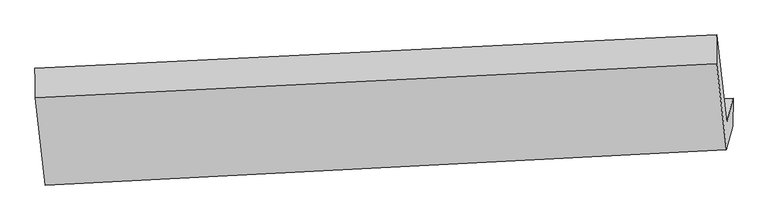
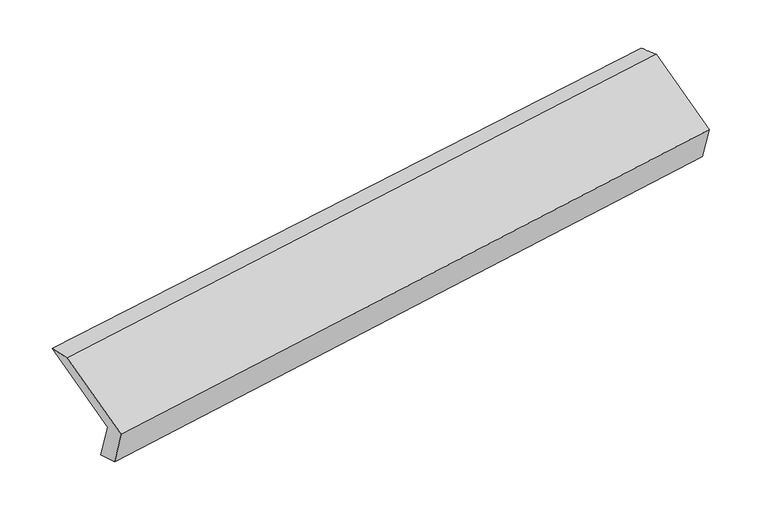
"""IFC4 building model written with IfcOpenShell, lengths in millimetres: proxy geometry."""

from ifc_helpers import new_model, si_unit, frame, origin, place, context, project, spatial, source, transform, mapped, element, save
from ifc_brep_helpers import plane_surface, spline_surface, advanced_brep


def generic_models_5cc71f17(model_context):
    return source(origin(), model_context, "Body", "AdvancedBrep", [
        advanced_brep(
        [(-5171.3739606, -1626.7028159, 1221.6545357), (-5214.8100909, -1795.6234165, 1568.6238757), (-488.4373482, -1545.5627687, 2259.6616501), (-445.001218, -1376.6421682, 1912.6923101), (-5171.6795025, -1815.5283065, 1281.8777751), (-448.42034, -1571.0423685, 1995.7748584), (-5213.9971274, -1980.0991041, 1619.9124545), (-490.7156121, -1735.5262375, 2333.6309831), (-5283.7117346, -1373.5012586, 1906.5047499), (-559.3404386, -1138.4107468, 2615.7432596), (-5286.5918338, -1171.0390959, 1863.7140337), (-558.1519555, -938.9649231, 2546.2539455)],
        [
            (0, 1),
            (1, 2),
            (2, 3),
            (3, 0),
            (4, 0),
            (3, 5),
            (5, 4),
            (6, 4),
            (5, 7),
            (7, 6),
            (8, 6),
            (7, 9),
            (9, 8),
            (10, 8),
            (9, 11),
            (11, 10),
            (1, 10),
            (11, 2),
        ],
        [
            plane_surface(frame((-5193.0920257, -1711.1631162, 1395.1392057), z_axis=(-0.10955364208913695, 0.8990249373670909, 0.42397188762594146), x_axis=(-0.11185054062011528, -0.43498028904141445, 0.8934660624267917))),
            spline_surface(1, 1, [[(-5171.6795025, -1815.5283065, 1281.8777751), (-448.42034, -1571.0423685, 1995.7748584)], [(-5171.3739606, -1626.7028159, 1221.6545357), (-445.001218, -1376.6421682, 1912.6923101)]], [2, 2], [2, 2], [0.0, 1.0], [0.0, 1.0]),
            plane_surface(frame((-5192.8383149, -1897.8137053, 1450.8951148), z_axis=(0.11059036242420126, -0.8989714718263391, -0.4238160740005854), x_axis=(0.11185054062011532, 0.43498028904141395, -0.8934660624267919))),
            plane_surface(frame((-5248.854431, -1676.8001813, 1763.2086022), z_axis=(-0.11246986538613996, -0.43500829115911577, 0.8933746783980671), x_axis=(0.10335678297457859, -0.8993237479065107, -0.4248931299333194))),
            spline_surface(1, 1, [[(-5286.5918338, -1171.0390959, 1863.7140337), (-558.1519555, -938.9649231, 2546.2539455)], [(-5283.7117346, -1373.5012586, 1906.5047499), (-559.3404386, -1138.4107468, 2615.7432596)]], [2, 2], [2, 2], [0.0, 1.0], [0.0, 1.0]),
            plane_surface(frame((-5250.7009623, -1483.3312562, 1716.1689547), z_axis=(0.1077169229179328, 0.4347890701471708, -0.8940668481705667), x_axis=(-0.10335678297457751, 0.8993237479065056, 0.4248931299333308))),
            plane_surface(frame((-498.3444854, -1384.3582021, 2277.2928345), z_axis=(0.9883353843590412, 0.04482125162058254, 0.1455480107285244), x_axis=(0.10335678297457859, -0.8993237479065107, -0.4248931299333194))),
            plane_surface(frame((-5223.6940416, -1627.0823329, 1577.0479041), z_axis=(-0.9883353843590416, -0.04482125162058012, -0.14554801072852305), x_axis=(0.11185054062011514, 0.43498028904141384, -0.8934660624267919))),
        ],
        [
            (0, [[1, 2, 3, 4]]),
            (1, [[5, -4, 6, 7]]),
            (2, [[8, -7, 9, 10]]),
            (3, [[11, -10, 12, 13]]),
            (4, [[14, -13, 15, 16]]),
            (5, [[17, -16, 18, -2]]),
            (6, [[-12, -9, -6, -3, -18, -15]]),
            (7, [[-1, -5, -8, -11, -14, -17]]),
        ],
    ),
    ])


if __name__ == "__main__":
    model = new_model("IFC4")
    model_context = context("Model", 3, world=origin())
    ifc_project = project(units=[si_unit("LENGTHUNIT", "METRE", prefix="MILLI")], contexts=[model_context])
    site = spatial("IfcSite", under=ifc_project)
    building = spatial("IfcBuilding", under=site)
    placement = place(None, origin())
    generic_models_shape = generic_models_5cc71f17(model_context)
    element("IfcBuildingElementProxy", 1, Name="Generic Models", at=placement, inside=building, context=model_context, shape_type="MappedRepresentation", body=[
        mapped(generic_models_shape, transform((0.0, 0.0, 0.0), x_axis=(1.0, 0.0, 0.0), y_axis=(0.0, 1.0, 0.0), z_axis=(0.0, 0.0, 1.0))),
    ])
    save(model, "model.ifc")
